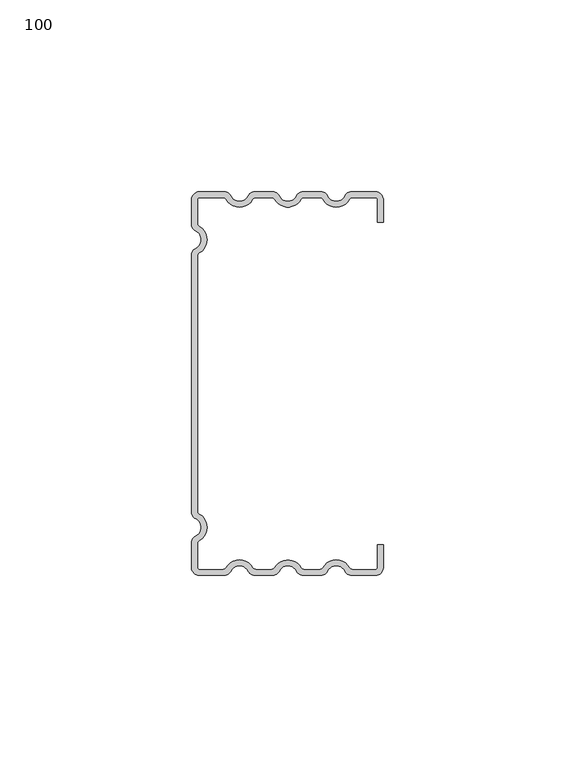
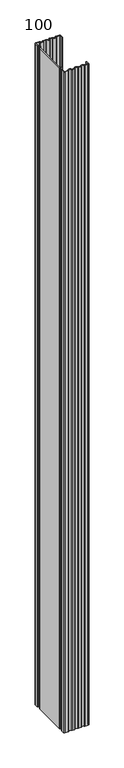
"""IFC4 building model written with IfcOpenShell, lengths in millimetres: proxy geometry, 100."""

from ifc_helpers import new_model, si_unit, point, frame_2d, origin, origin_with_axes, place, context, project, spatial, polyline, circle_curve, trimmed, segment, composite_curve, outline, extrude, source, transform, mapped, element, save


def proxy_100_50c87fc5(model_context):
    return source(origin(), model_context, "Body", "SweptSolid", [
        extrude(outline(composite_curve([segment(polyline([(50.0, 42.0), (48.5, 42.0), (48.5, 48.0)]), True, "CONTINUOUS"), segment(trimmed(circle_curve(frame_2d((48.0, 48.0)), 0.5), [point((48.5, 48.0))], [point((48.0, 48.5))], True, "CARTESIAN"), True, "CONTINUOUS"), segment(polyline([(48.0, 48.5), (42.0640787, 48.5)]), True, "CONTINUOUS"), segment(trimmed(circle_curve(frame_2d((42.0640787, 47.5)), 1.0), [point((42.0640787, 48.5))], [point((41.1980533, 48.0))], True, "CARTESIAN"), True, "CONTINUOUS"), segment(trimmed(circle_curve(frame_2d((37.7339517, 50.0)), 4.0), [point((41.1980533, 48.0))], [point((34.2698501, 48.0))], False, "CARTESIAN"), True, "CONTINUOUS"), segment(trimmed(circle_curve(frame_2d((33.4038247, 47.5)), 1.0), [point((34.2698501, 48.0))], [point((33.4038247, 48.5))], True, "CARTESIAN"), True, "CONTINUOUS"), segment(polyline([(33.4038247, 48.5), (29.4471029, 48.5)]), True, "CONTINUOUS"), segment(trimmed(circle_curve(frame_2d((29.4471029, 47.5)), 1.0), [point((29.4471029, 48.5))], [point((28.5810775, 48.0))], True, "CARTESIAN"), True, "CONTINUOUS"), segment(trimmed(circle_curve(frame_2d((25.1169759, 50.0)), 4.0), [point((28.5810775, 48.0))], [point((21.6528742, 48.0))], False, "CARTESIAN"), True, "CONTINUOUS"), segment(trimmed(circle_curve(frame_2d((20.7868488, 47.5)), 1.0), [point((21.6528742, 48.0))], [point((20.7868488, 48.5))], True, "CARTESIAN"), True, "CONTINUOUS"), segment(polyline([(20.7868488, 48.5), (16.830127, 48.5)]), True, "CONTINUOUS"), segment(trimmed(circle_curve(frame_2d((16.830127, 47.5)), 1.0), [point((16.830127, 48.5))], [point((15.9641016, 48.0))], True, "CARTESIAN"), True, "CONTINUOUS"), segment(trimmed(circle_curve(frame_2d((12.5, 50.0)), 4.0), [point((15.9641016, 48.0))], [point((9.0358984, 48.0))], False, "CARTESIAN"), True, "CONTINUOUS"), segment(trimmed(circle_curve(frame_2d((8.169873, 47.5)), 1.0), [point((9.0358984, 48.0))], [point((8.169873, 48.5))], True, "CARTESIAN"), True, "CONTINUOUS"), segment(polyline([(8.169873, 48.5), (2.0, 48.5)]), True, "CONTINUOUS"), segment(trimmed(circle_curve(frame_2d((2.0, 48.0)), 0.5), [point((2.0, 48.5))], [point((1.5, 48.0))], True, "CARTESIAN"), True, "CONTINUOUS"), segment(polyline([(1.5, 48.0), (1.5, 41.830127)]), True, "CONTINUOUS"), segment(trimmed(circle_curve(frame_2d((2.5, 41.830127)), 1.0), [point((1.5, 41.830127))], [point((2.0, 40.9641016))], True, "CARTESIAN"), True, "CONTINUOUS"), segment(trimmed(circle_curve(frame_2d((0.0, 37.5)), 4.0), [point((2.0, 40.9641016))], [point((2.0, 34.0358984))], False, "CARTESIAN"), True, "CONTINUOUS"), segment(trimmed(circle_curve(frame_2d((2.5, 33.169873)), 1.0), [point((2.0, 34.0358984))], [point((1.5, 33.169873))], True, "CARTESIAN"), True, "CONTINUOUS"), segment(polyline([(1.5, 33.169873), (1.5, -33.169873)]), True, "CONTINUOUS"), segment(trimmed(circle_curve(frame_2d((2.5, -33.169873)), 1.0), [point((1.5, -33.169873))], [point((2.0, -34.0358984))], True, "CARTESIAN"), True, "CONTINUOUS"), segment(trimmed(circle_curve(frame_2d((0.0, -37.5)), 4.0), [point((2.0, -34.0358984))], [point((2.0, -40.9641016))], False, "CARTESIAN"), True, "CONTINUOUS"), segment(trimmed(circle_curve(frame_2d((2.5, -41.830127)), 1.0), [point((2.0, -40.9641016))], [point((1.5, -41.830127))], True, "CARTESIAN"), True, "CONTINUOUS"), segment(polyline([(1.5, -41.830127), (1.5, -48.0)]), True, "CONTINUOUS"), segment(trimmed(circle_curve(frame_2d((2.0, -48.0)), 0.5), [point((1.5, -48.0))], [point((2.0, -48.5))], True, "CARTESIAN"), True, "CONTINUOUS"), segment(polyline([(2.0, -48.5), (8.169873, -48.5)]), True, "CONTINUOUS"), segment(trimmed(circle_curve(frame_2d((8.169873, -47.5)), 1.0), [point((8.169873, -48.5))], [point((9.0358984, -48.0))], True, "CARTESIAN"), True, "CONTINUOUS"), segment(trimmed(circle_curve(frame_2d((12.5, -50.0)), 4.0), [point((9.0358984, -48.0))], [point((15.9641016, -48.0))], False, "CARTESIAN"), True, "CONTINUOUS"), segment(trimmed(circle_curve(frame_2d((16.830127, -47.5)), 1.0), [point((15.9641016, -48.0))], [point((16.830127, -48.5))], True, "CARTESIAN"), True, "CONTINUOUS"), segment(polyline([(16.830127, -48.5), (20.7868488, -48.5)]), True, "CONTINUOUS"), segment(trimmed(circle_curve(frame_2d((20.7868488, -47.5)), 1.0), [point((20.7868488, -48.5))], [point((21.6528742, -48.0))], True, "CARTESIAN"), True, "CONTINUOUS"), segment(trimmed(circle_curve(frame_2d((25.1169759, -50.0)), 4.0), [point((21.6528742, -48.0))], [point((28.5810775, -48.0))], False, "CARTESIAN"), True, "CONTINUOUS"), segment(trimmed(circle_curve(frame_2d((29.4471029, -47.5)), 1.0), [point((28.5810775, -48.0))], [point((29.4471029, -48.5))], True, "CARTESIAN"), True, "CONTINUOUS"), segment(polyline([(29.4471029, -48.5), (33.4038247, -48.5)]), True, "CONTINUOUS"), segment(trimmed(circle_curve(frame_2d((33.4038247, -47.5)), 1.0), [point((33.4038247, -48.5))], [point((34.2698501, -48.0))], True, "CARTESIAN"), True, "CONTINUOUS"), segment(trimmed(circle_curve(frame_2d((37.7339517, -50.0)), 4.0), [point((34.2698501, -48.0))], [point((41.1980533, -48.0))], False, "CARTESIAN"), True, "CONTINUOUS"), segment(trimmed(circle_curve(frame_2d((42.0640787, -47.5)), 1.0), [point((41.1980533, -48.0))], [point((42.0640787, -48.5))], True, "CARTESIAN"), True, "CONTINUOUS"), segment(polyline([(42.0640787, -48.5), (48.0, -48.5)]), True, "CONTINUOUS"), segment(trimmed(circle_curve(frame_2d((48.0, -48.0)), 0.5), [point((48.0, -48.5))], [point((48.5, -48.0))], True, "CARTESIAN"), True, "CONTINUOUS"), segment(polyline([(48.5, -48.0), (48.5, -42.0), (50.0, -42.0), (50.0, -48.0)]), True, "CONTINUOUS"), segment(trimmed(circle_curve(frame_2d((48.0, -48.0)), 2.0), [point((50.0, -48.0))], [point((48.0, -50.0))], False, "CARTESIAN"), True, "CONTINUOUS"), segment(polyline([(48.0, -50.0), (41.7650806, -50.0)]), True, "CONTINUOUS"), segment(trimmed(circle_curve(frame_2d((41.7650806, -48.0)), 2.0), [point((41.7650806, -50.0))], [point((39.9734678, -48.8888889))], False, "CARTESIAN"), True, "CONTINUOUS"), segment(trimmed(circle_curve(frame_2d((37.7339517, -50.0)), 2.5), [point((39.9734678, -48.8888889))], [point((35.4944357, -48.8888889))], True, "CARTESIAN"), True, "CONTINUOUS"), segment(trimmed(circle_curve(frame_2d((33.7028228, -48.0)), 2.0), [point((35.4944357, -48.8888889))], [point((33.7028228, -50.0))], False, "CARTESIAN"), True, "CONTINUOUS"), segment(polyline([(33.7028228, -50.0), (29.1481047, -50.0)]), True, "CONTINUOUS"), segment(trimmed(circle_curve(frame_2d((29.1481047, -48.0)), 2.0), [point((29.1481047, -50.0))], [point((27.3564919, -48.8888889))], False, "CARTESIAN"), True, "CONTINUOUS"), segment(trimmed(circle_curve(frame_2d((25.1169759, -50.0)), 2.5), [point((27.3564919, -48.8888889))], [point((22.8774598, -48.8888889))], True, "CARTESIAN"), True, "CONTINUOUS"), segment(trimmed(circle_curve(frame_2d((21.085847, -48.0)), 2.0), [point((22.8774598, -48.8888889))], [point((21.085847, -50.0))], False, "CARTESIAN"), True, "CONTINUOUS"), segment(polyline([(21.085847, -50.0), (16.5311289, -50.0)]), True, "CONTINUOUS"), segment(trimmed(circle_curve(frame_2d((16.5311289, -48.0)), 2.0), [point((16.5311289, -50.0))], [point((14.739516, -48.8888889))], False, "CARTESIAN"), True, "CONTINUOUS"), segment(trimmed(circle_curve(frame_2d((12.5, -50.0)), 2.5), [point((14.739516, -48.8888889))], [point((10.260484, -48.8888889))], True, "CARTESIAN"), True, "CONTINUOUS"), segment(trimmed(circle_curve(frame_2d((8.4688711, -48.0)), 2.0), [point((10.260484, -48.8888889))], [point((8.4688711, -50.0))], False, "CARTESIAN"), True, "CONTINUOUS"), segment(polyline([(8.4688711, -50.0), (2.0, -50.0)]), True, "CONTINUOUS"), segment(trimmed(circle_curve(frame_2d((2.0, -48.0)), 2.0), [point((2.0, -50.0))], [point((0.0, -48.0))], False, "CARTESIAN"), True, "CONTINUOUS"), segment(polyline([(0.0, -48.0), (0.0, -41.5311289)]), True, "CONTINUOUS"), segment(trimmed(circle_curve(frame_2d((2.0, -41.5311289)), 2.0), [point((0.0, -41.5311289))], [point((1.1111111, -39.739516))], False, "CARTESIAN"), True, "CONTINUOUS"), segment(trimmed(circle_curve(frame_2d((0.0, -37.5)), 2.5), [point((1.1111111, -39.739516))], [point((1.1111111, -35.260484))], True, "CARTESIAN"), True, "CONTINUOUS"), segment(trimmed(circle_curve(frame_2d((2.0, -33.4688711)), 2.0), [point((1.1111111, -35.260484))], [point((0.0, -33.4688711))], False, "CARTESIAN"), True, "CONTINUOUS"), segment(polyline([(0.0, -33.4688711), (0.0, 33.4688711)]), True, "CONTINUOUS"), segment(trimmed(circle_curve(frame_2d((2.0, 33.4688711)), 2.0), [point((0.0, 33.4688711))], [point((1.1111111, 35.260484))], False, "CARTESIAN"), True, "CONTINUOUS"), segment(trimmed(circle_curve(frame_2d((0.0, 37.5)), 2.5), [point((1.1111111, 35.260484))], [point((1.1111111, 39.739516))], True, "CARTESIAN"), True, "CONTINUOUS"), segment(trimmed(circle_curve(frame_2d((2.0, 41.5311289)), 2.0), [point((1.1111111, 39.739516))], [point((0.0, 41.5311289))], False, "CARTESIAN"), True, "CONTINUOUS"), segment(polyline([(0.0, 41.5311289), (0.0, 48.0)]), True, "CONTINUOUS"), segment(trimmed(circle_curve(frame_2d((2.0, 48.0)), 2.0), [point((0.0, 48.0))], [point((2.0, 50.0))], False, "CARTESIAN"), True, "CONTINUOUS"), segment(polyline([(2.0, 50.0), (8.4688711, 50.0)]), True, "CONTINUOUS"), segment(trimmed(circle_curve(frame_2d((8.4688711, 48.0)), 2.0), [point((8.4688711, 50.0))], [point((10.260484, 48.8888889))], False, "CARTESIAN"), True, "CONTINUOUS"), segment(trimmed(circle_curve(frame_2d((12.5, 50.0)), 2.5), [point((10.260484, 48.8888889))], [point((14.739516, 48.8888889))], True, "CARTESIAN"), True, "CONTINUOUS"), segment(trimmed(circle_curve(frame_2d((16.5311289, 48.0)), 2.0), [point((14.739516, 48.8888889))], [point((16.5311289, 50.0))], False, "CARTESIAN"), True, "CONTINUOUS"), segment(polyline([(16.5311289, 50.0), (21.085847, 50.0)]), True, "CONTINUOUS"), segment(trimmed(circle_curve(frame_2d((21.085847, 48.0)), 2.0), [point((21.085847, 50.0))], [point((22.8774598, 48.8888889))], False, "CARTESIAN"), True, "CONTINUOUS"), segment(trimmed(circle_curve(frame_2d((25.1169759, 50.0)), 2.5), [point((22.8774598, 48.8888889))], [point((27.3564919, 48.8888889))], True, "CARTESIAN"), True, "CONTINUOUS"), segment(trimmed(circle_curve(frame_2d((29.1481047, 48.0)), 2.0), [point((27.3564919, 48.8888889))], [point((29.1481047, 50.0))], False, "CARTESIAN"), True, "CONTINUOUS"), segment(polyline([(29.1481047, 50.0), (33.7028228, 50.0)]), True, "CONTINUOUS"), segment(trimmed(circle_curve(frame_2d((33.7028228, 48.0)), 2.0), [point((33.7028228, 50.0))], [point((35.4944357, 48.8888889))], False, "CARTESIAN"), True, "CONTINUOUS"), segment(trimmed(circle_curve(frame_2d((37.7339517, 50.0)), 2.5), [point((35.4944357, 48.8888889))], [point((39.9734678, 48.8888889))], True, "CARTESIAN"), True, "CONTINUOUS"), segment(trimmed(circle_curve(frame_2d((41.7650806, 48.0)), 2.0), [point((39.9734678, 48.8888889))], [point((41.7650806, 50.0))], False, "CARTESIAN"), True, "CONTINUOUS"), segment(polyline([(41.7650806, 50.0), (48.0, 50.0)]), True, "CONTINUOUS"), segment(trimmed(circle_curve(frame_2d((48.0, 48.0)), 2.0), [point((48.0, 50.0))], [point((50.0, 48.0))], False, "CARTESIAN"), True, "CONTINUOUS"), segment(polyline([(50.0, 48.0), (50.0, 42.0)]), True, "CONTINUOUS")], self_intersect=False)), origin_with_axes(), (0.0, 0.0, 1.0), 1380.0),
    ])


if __name__ == "__main__":
    model = new_model("IFC4")
    model_context = context("Model", 3, world=origin())
    ifc_project = project(units=[si_unit("LENGTHUNIT", "METRE", prefix="MILLI")], contexts=[model_context])
    site = spatial("IfcSite", under=ifc_project)
    building = spatial("IfcBuilding", under=site)
    placement = place(None, origin())
    proxy_100_shape = proxy_100_50c87fc5(model_context)
    element("IfcBuildingElementProxy", 1, Name="100", ObjectType="100", at=placement, inside=building, context=model_context, shape_type="MappedRepresentation", body=[
        mapped(proxy_100_shape, transform((0.0, 0.0, 0.0), x_axis=(1.0, 0.0, 0.0), y_axis=(0.0, 1.0, 0.0), z_axis=(0.0, 0.0, 1.0))),
    ])
    save(model, "model.ifc")
